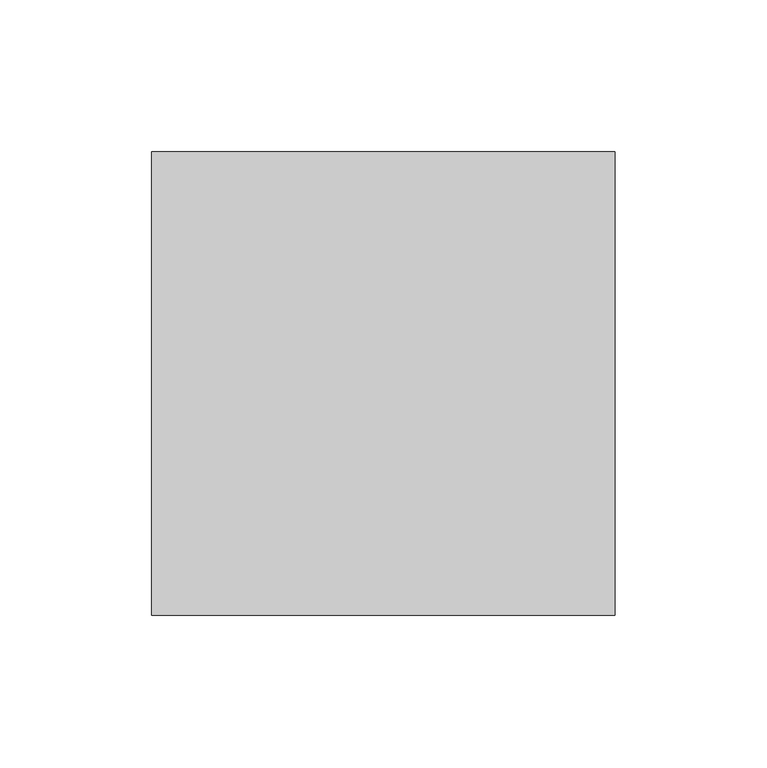
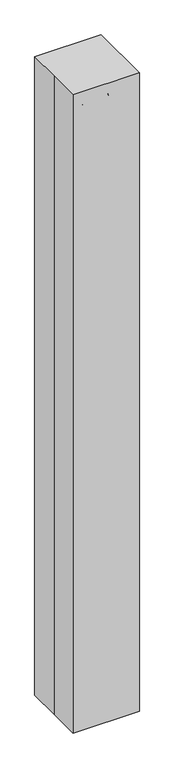
"""IFC4 building model written with IfcOpenShell, lengths in millimetres: proxy geometry."""

import ifcopenshell
import ifcopenshell.guid

model = None  # the IFC model being written
_history = None  # IfcOwnerHistory: only IFC2X3 demands one
_inside = {}  # id of a spatial element -> (the spatial element, [elements in it])
_under = {}  # id of a project, library or spatial element -> (it, [spatial elements below it])
_declared = {}  # id of a project -> (the project, [libraries it declares])
_typed = {}  # id of a type object -> (the type object, [elements of that type])
_made_of = {}  # id of a material, layer set ... -> (it, [elements and type objects made of it])


def new_model(schema):
    """Start an empty IFC model of exactly this schema.

    Asked for "IFC4X3", IfcOpenShell would pick the latest addendum, in which some entities
    have other attributes; the version numbers below select the first issue.
    IFC2X3 requires an IfcOwnerHistory on every rooted entity: one is made here for all.
    """
    global model, _history
    if schema == "IFC4X3":
        model = ifcopenshell.file(schema_version=(4, 3, 0, 0))
    else:
        model = ifcopenshell.file(schema=schema)
    _inside.clear()
    _under.clear()
    _declared.clear()
    _typed.clear()
    _made_of.clear()
    _history = None
    if model.schema == "IFC2X3":
        org = make("IfcOrganization", Name="unknown")
        user = make(
            "IfcPersonAndOrganization",
            ThePerson=make("IfcPerson", FamilyName="unknown"),
            TheOrganization=org,
        )
        app = make(
            "IfcApplication",
            ApplicationDeveloper=org,
            Version="unknown",
            ApplicationFullName="unknown",
            ApplicationIdentifier="unknown",
        )
        _history = make(
            "IfcOwnerHistory",
            OwningUser=user,
            OwningApplication=app,
            ChangeAction="ADDED",
            CreationDate=0,
        )
    return model


def make(cls, **values):
    """One entity of the class cls with the attributes given. An attribute that is None is left unset."""
    return model.create_entity(
        cls, **{name: value for name, value in values.items() if value is not None}
    )


def rooted(cls, **values):
    """An entity with a GlobalId (a new one), such as an element, a storey or a relation."""
    return make(cls, GlobalId=ifcopenshell.guid.new(), OwnerHistory=_history, **values)


def si_unit(unit_type, name, prefix=None):
    """IfcSIUnit, for example si_unit("LENGTHUNIT", "METRE", prefix="MILLI")."""
    return make("IfcSIUnit", UnitType=unit_type, Prefix=prefix, Name=name)


def assignment(units):
    """IfcUnitAssignment: the units of a project."""
    return None if units is None else make("IfcUnitAssignment", Units=units)


def point(xyz):
    """IfcCartesianPoint."""
    return None if xyz is None else make("IfcCartesianPoint", Coordinates=xyz)


def direction(xyz):
    """IfcDirection."""
    return None if xyz is None else make("IfcDirection", DirectionRatios=xyz)


def frame(location, z_axis=None, x_axis=None):
    """IfcAxis2Placement3D, a coordinate frame: its origin and axes. An axis left out is left unset."""
    return make(
        "IfcAxis2Placement3D",
        Location=point(location),
        Axis=direction(z_axis),
        RefDirection=direction(x_axis),
    )


def origin():
    """The frame at (0, 0, 0) with its axes left unset."""
    return frame((0.0, 0.0, 0.0))


def origin_with_axes():
    """The frame at (0, 0, 0) with the z axis (0, 0, 1) and the x axis (1, 0, 0) written out."""
    return frame((0.0, 0.0, 0.0), z_axis=(0.0, 0.0, 1.0), x_axis=(1.0, 0.0, 0.0))


def place(relative_to, where):
    """IfcLocalPlacement: puts the frame where relative to a parent placement (None: the world)."""
    return make(
        "IfcLocalPlacement", PlacementRelTo=relative_to, RelativePlacement=where
    )


def context(
    kind, dimensions, precision=None, world=None, true_north=None, identifier=None
):
    """IfcGeometricRepresentationContext, for example the 3D "Model" context."""
    return make(
        "IfcGeometricRepresentationContext",
        ContextIdentifier=identifier,
        ContextType=kind,
        CoordinateSpaceDimension=dimensions,
        Precision=precision,
        WorldCoordinateSystem=world,
        TrueNorth=true_north,
    )


def project(units=None, contexts=None):
    """IfcProject with its units and contexts."""
    return rooted(
        "IfcProject",
        Name="project",
        RepresentationContexts=contexts,
        UnitsInContext=assignment(units),
    )


def spatial(cls, under=None, at=None, **own):
    """A site, building, storey or space (cls), placed at a placement, below another one or the project."""
    s = rooted(cls, ObjectPlacement=at, **own)
    if under is not None:
        _under.setdefault(under.id(), (under, []))[1].append(s)
    return s


def polyline(points):
    """IfcPolyline through the points."""
    return make("IfcPolyline", Points=[point(p) for p in points])


def circle_curve(where, radius):
    """IfcCircle in the frame where."""
    return make("IfcCircle", Position=where, Radius=radius)


def ellipse_curve(where, semi_axis1, semi_axis2):
    """IfcEllipse in the frame where."""
    return make(
        "IfcEllipse", Position=where, SemiAxis1=semi_axis1, SemiAxis2=semi_axis2
    )


def trimmed(basis, trim1, trim2, sense, master):
    """IfcTrimmedCurve: the piece of a basis curve between two trims."""
    return make(
        "IfcTrimmedCurve",
        BasisCurve=basis,
        Trim1=trim1,
        Trim2=trim2,
        SenseAgreement=sense,
        MasterRepresentation=master,
    )


def outline(outer, holes=None, kind="AREA"):
    """IfcArbitraryClosedProfileDef: a profile drawn as a closed curve; with holes, ...WithVoids."""
    if holes is None:
        return make("IfcArbitraryClosedProfileDef", ProfileType=kind, OuterCurve=outer)
    return make(
        "IfcArbitraryProfileDefWithVoids",
        ProfileType=kind,
        OuterCurve=outer,
        InnerCurves=holes,
    )


def extrude(swept, where, along, depth):
    """IfcExtrudedAreaSolid: the profile swept, set in the frame where, extruded along a direction by depth."""
    return make(
        "IfcExtrudedAreaSolid",
        SweptArea=swept,
        Position=where,
        ExtrudedDirection=direction(along),
        Depth=depth,
    )


def shape(context_of_items, identifier, shape_type, items):
    """IfcShapeRepresentation: the items that make up one representation, for example the "Body"."""
    return make(
        "IfcShapeRepresentation",
        ContextOfItems=context_of_items,
        RepresentationIdentifier=identifier,
        RepresentationType=shape_type,
        Items=items,
    )


def source(mapping_origin, context_of_items, identifier, shape_type, items):
    """IfcRepresentationMap: a shape defined once, which mapped items show again and again."""
    return make(
        "IfcRepresentationMap",
        MappingOrigin=mapping_origin,
        MappedRepresentation=shape(context_of_items, identifier, shape_type, items),
    )


def transform(
    local_origin,
    x_axis=None,
    y_axis=None,
    z_axis=None,
    scale=None,
    scale2=None,
    scale3=None,
    uniform=True,
):
    """IfcCartesianTransformationOperator3D, or its non-uniform kind. x_axis, y_axis, z_axis: its Axis1, 2, 3."""
    if uniform:
        return make(
            "IfcCartesianTransformationOperator3D",
            Axis1=direction(x_axis),
            Axis2=direction(y_axis),
            LocalOrigin=point(local_origin),
            Scale=scale,
            Axis3=direction(z_axis),
        )
    return make(
        "IfcCartesianTransformationOperator3DnonUniform",
        Axis1=direction(x_axis),
        Axis2=direction(y_axis),
        LocalOrigin=point(local_origin),
        Scale=scale,
        Axis3=direction(z_axis),
        Scale2=scale2,
        Scale3=scale3,
    )


def mapped(mapping_source, mapping_target):
    """IfcMappedItem: shows the shape of a source again, moved by a transform."""
    return make(
        "IfcMappedItem", MappingSource=mapping_source, MappingTarget=mapping_target
    )


def made_of(thing, what):
    """Note that an element or type object is made of a material, layer set ...; save() writes the relation."""
    if what is not None:
        _made_of.setdefault(what.id(), (what, []))[1].append(thing)
    return thing


def element(
    cls,
    number,
    at=None,
    inside=None,
    cuts=None,
    type_object=None,
    material=None,
    context=None,
    identifier="Body",
    shape_type=None,
    held_by="IfcProductDefinitionShape",
    body=None,
    shapes=None,
    **own,
):
    """One element of the class cls, such as IfcWall. Its Tag is "e" and its number.

    at: its placement. inside: the storey or other place that contains it. cuts: it is an
    opening in that element (IfcRelVoidsElement). A single representation is given by context,
    identifier, shape_type and body (its items); several are given by shapes. held_by: the class
    of the entity that holds the representations. save() writes the other relations.
    """
    e = rooted(cls, Tag="e%d" % number, ObjectPlacement=at, **own)
    if body is not None:
        shapes = [shape(context, identifier, shape_type, body)]
    if shapes is not None:
        e.Representation = make(held_by, Representations=shapes)
    if inside is not None:
        _inside.setdefault(inside.id(), (inside, []))[1].append(e)
    if cuts is not None:
        rooted(
            "IfcRelVoidsElement", RelatingBuildingElement=cuts, RelatedOpeningElement=e
        )
    if type_object is not None:
        _typed.setdefault(type_object.id(), (type_object, []))[1].append(e)
    return made_of(e, material)


def aggregate(whole, parts):
    """IfcRelAggregates: a whole, such as a stair, and the parts it consists of."""
    return rooted("IfcRelAggregates", RelatingObject=whole, RelatedObjects=parts)


def save(model, path):
    """Write the relations noted so far, then the file.

    IfcRelAggregates (storeys below a building ...), IfcRelContainedInSpatialStructure (elements
    in a storey), IfcRelDefinesByType, IfcRelAssociatesMaterial and IfcRelDeclares: one each for
    every whole, place, type object, material and project.
    """
    for whole, parts in _under.values():
        aggregate(whole, parts)
    for where, things in _inside.values():
        rooted(
            "IfcRelContainedInSpatialStructure",
            RelatedElements=things,
            RelatingStructure=where,
        )
    for kind, things in _typed.values():
        rooted("IfcRelDefinesByType", RelatedObjects=things, RelatingType=kind)
    for what, things in _made_of.values():
        rooted("IfcRelAssociatesMaterial", RelatedObjects=things, RelatingMaterial=what)
    for by, libraries in _declared.values():
        rooted("IfcRelDeclares", RelatingContext=by, RelatedDefinitions=libraries)
    model.write(path)


def plane_surface(at):
    """IfcPlane: the flat surface through the origin of the frame at, square to its z axis."""
    return make("IfcPlane", Position=at)


def cylinder_surface(at, radius):
    """IfcCylindricalSurface: all points at the distance radius from the z axis of the frame at."""
    return make("IfcCylindricalSurface", Position=at, Radius=radius)


def revolved_surface(curve, axis_point, axis_direction):
    """IfcSurfaceOfRevolution: the curve turned about the line through axis_point along axis_direction."""
    return make(
        "IfcSurfaceOfRevolution",
        SweptCurve=make("IfcArbitraryOpenProfileDef", ProfileType="CURVE", Curve=curve),
        AxisPosition=make("IfcAxis1Placement", Location=point(axis_point), Axis=direction(axis_direction)),
    )


def advanced_brep(points, edges, surfaces, faces):
    """IfcAdvancedBrep: a solid bounded by faces that lie on surfaces and meet in shared edges.

    An edge is (start, end): straight between two places in points (the first is 0);
    or (start, end, curve); or (start, end, curve, False) where it runs against its curve.
    A face is (place in surfaces, loops), or (place, loops, False) where it looks against
    its surface's normal. A loop lists edges by number (the first is 1), with a minus sign
    where the edge is run from its end to its start. The first loop is the outer one.
    """
    corners = [point(p) for p in points]
    vertices = [make("IfcVertexPoint", VertexGeometry=c) for c in corners]
    made = []
    for start, end, *more in edges:
        made.append(
            make(
                "IfcEdgeCurve",
                EdgeStart=vertices[start],
                EdgeEnd=vertices[end],
                EdgeGeometry=more[0] if more else make("IfcPolyline", Points=[corners[start], corners[end]]),
                SameSense=more[1] if len(more) > 1 else True,
            )
        )
    hull = []
    for where, loops, *sense in faces:
        bounds = []
        for j, loop in enumerate(loops):
            ring = [make("IfcOrientedEdge", EdgeElement=made[abs(k) - 1], Orientation=k > 0) for k in loop]
            bounds.append(
                make(
                    "IfcFaceOuterBound" if j == 0 else "IfcFaceBound",
                    Bound=make("IfcEdgeLoop", EdgeList=ring),
                    Orientation=True,
                )
            )
        hull.append(make("IfcAdvancedFace", Bounds=bounds, FaceSurface=surfaces[where], SameSense=sense[0] if sense else True))
    return make("IfcAdvancedBrep", Outer=make("IfcClosedShell", CfsFaces=hull))


def specialty_equipment_258c5ad5(model_context):
    return source(origin(), model_context, "Body", "SolidModel", [
        extrude(outline(polyline([(-12.7, -34.925), (-50.8, -34.925), (-50.8, -9.525), (-12.7, -9.525), (-12.7, -34.925)])), origin_with_axes(), (0.0, 0.0, 1.0), 101.6),
        advanced_brep(
        [(-25.4, -22.225, 101.6), (-38.1, -22.225, 101.6), (25.4, -22.225, 0.0), (38.1, -22.225, 0.0), (-25.4, -22.225, 1466.85), (-38.1, -22.225, 1466.85), (38.1, -22.225, 1466.85), (25.4, -22.225, 1466.85)],
        [
            (0, 1, circle_curve(frame((-31.75, -22.225, 101.6), z_axis=(0.0, 0.0, -1.0), x_axis=(-1.0, 0.0, 0.0)), 6.35)),
            (1, 0, circle_curve(frame((-31.75, -22.225, 101.6), z_axis=(0.0, 0.0, -1.0), x_axis=(-1.0, 0.0, 0.0)), 6.35)),
            (2, 3, circle_curve(frame((31.75, -22.225, 0.0), z_axis=(0.0, 0.0, -1.0), x_axis=(1.0, 0.0, 0.0)), 6.35)),
            (3, 2, circle_curve(frame((31.75, -22.225, 0.0), z_axis=(0.0, 0.0, -1.0), x_axis=(1.0, 0.0, 0.0)), 6.35)),
            (0, 4),
            (4, 5, circle_curve(frame((-31.75, -22.225, 1466.85), z_axis=(0.0, 0.0, -1.0), x_axis=(-1.0, 0.0, 0.0)), 6.35)),
            (5, 1),
            (5, 4, circle_curve(frame((-31.75, -22.225, 1466.85), z_axis=(0.0, 0.0, -1.0), x_axis=(-1.0, 0.0, 0.0)), 6.35)),
            (6, 7, circle_curve(frame((31.75, -22.225, 1466.85), z_axis=(0.0, 0.0, -1.0), x_axis=(1.0, 0.0, 0.0)), 6.35)),
            (7, 2),
            (3, 6),
            (7, 6, circle_curve(frame((31.75, -22.225, 1466.85), z_axis=(0.0, 0.0, -1.0), x_axis=(1.0, 0.0, 0.0)), 6.35)),
            (6, 5, circle_curve(frame((0.0, -22.225, 1466.85), z_axis=(0.0, -1.0, 0.0), x_axis=(-1.0, 0.0, 0.0)), 38.1)),
            (4, 7, circle_curve(frame((0.0, -22.225, 1466.85), z_axis=(0.0, 1.0, 0.0), x_axis=(-1.0, 0.0, 0.0)), 25.4)),
        ],
        [
            plane_surface(frame((-31.75, 41.275, 101.6), z_axis=(0.0, 0.0, -1.0), x_axis=(0.0, -1.0, 0.0))),
            plane_surface(frame((31.75, 41.275, 0.0), z_axis=(0.0, 0.0, -1.0), x_axis=(0.0, -1.0, 0.0))),
            cylinder_surface(frame((-31.75, -22.225, 101.6), z_axis=(0.0, 0.0, -1.0), x_axis=(-1.0, 0.0, 0.0)), 6.35),
            cylinder_surface(frame((31.75, -22.225, 1466.85), z_axis=(0.0, 0.0, 1.0), x_axis=(1.0, 0.0, 0.0)), 6.35),
            revolved_surface(trimmed(ellipse_curve(frame((-31.75, -22.225, 1466.85), z_axis=(0.0, 0.0, -1.0), x_axis=(-1.0, 0.0, 0.0)), 6.35, 6.35), [point((-25.4, -22.225, 1466.85))], [point((-38.1, -22.225, 1466.85))], True, "CARTESIAN"), (0.0, 41.275, 1466.85), (0.0, 1.0, 0.0)),
            revolved_surface(trimmed(ellipse_curve(frame((-31.75, -22.225, 1466.85), z_axis=(0.0, 0.0, -1.0), x_axis=(-1.0, 0.0, 0.0)), 6.35, 6.35), [point((-38.1, -22.225, 1466.85))], [point((-25.4, -22.225, 1466.85))], True, "CARTESIAN"), (0.0, 41.275, 1466.85), (0.0, 1.0, 0.0)),
        ],
        [
            (0, [[1, 2]]),
            (1, [[3, 4]]),
            (2, [[-1, 5, 6, 7]]),
            (2, [[-2, -7, 8, -5]]),
            (3, [[9, 10, -4, 11]]),
            (3, [[12, -11, -3, -10]]),
            (4, [[13, -6, 14, -9]]),
            (5, [[-14, -8, -13, -12]]),
        ],
    ),
        extrude(outline(polyline([(-76.2, 76.2), (76.2, 76.2), (76.2, -76.2), (-76.2, -76.2), (-76.2, 0.0), (-76.2, 76.2)])), origin_with_axes(), (0.0, 0.0, 1.0), 1549.4),
    ])


if __name__ == "__main__":
    model = new_model("IFC4")
    model_context = context("Model", 3, world=origin())
    ifc_project = project(units=[si_unit("LENGTHUNIT", "METRE", prefix="MILLI")], contexts=[model_context])
    site = spatial("IfcSite", under=ifc_project)
    building = spatial("IfcBuilding", under=site)
    placement = place(None, origin())
    specialty_equipment_shape = specialty_equipment_258c5ad5(model_context)
    element("IfcBuildingElementProxy", 1, Name="Specialty Equipment", at=placement, inside=building, context=model_context, shape_type="MappedRepresentation", body=[
        mapped(specialty_equipment_shape, transform((0.0, 0.0, 0.0), x_axis=(1.0, 0.0, 0.0), y_axis=(0.0, 1.0, 0.0), z_axis=(0.0, 0.0, 1.0))),
    ])
    save(model, "model.ifc")
